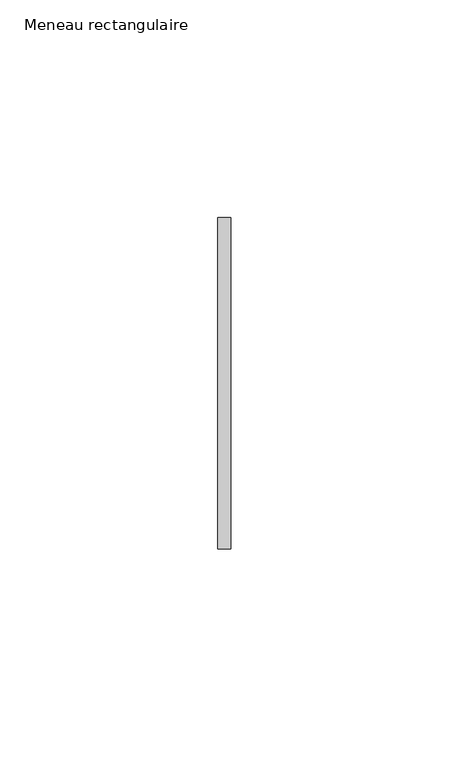
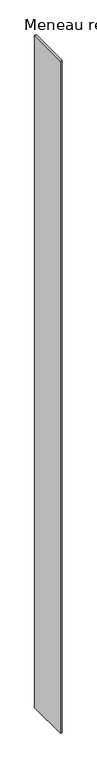
"""IFC4 building model written with IfcOpenShell, lengths in millimetres: member geometry, Meneau rectangulaire."""

from ifc_helpers import new_model, si_unit, frame, origin, place, context, project, spatial, polyline, outline, extrude, source, transform, mapped, element, save


def meneau_rectangulaire_703a53ed(model_context):
    return source(origin(), model_context, "Body", "SweptSolid", [
        extrude(outline(polyline([(-1.5, 38.0), (1.5, 38.0), (1.5, -38.0), (-1.5, -38.0), (-1.5, 38.0)])), frame((0.0, 0.0, -1211.2499998), z_axis=(0.0, 0.0, 1.0), x_axis=(1.0, 0.0, 0.0)), (0.0, 0.0, 1.0), 1211.2499998),
    ])


if __name__ == "__main__":
    model = new_model("IFC4")
    model_context = context("Model", 3, world=origin())
    ifc_project = project(units=[si_unit("LENGTHUNIT", "METRE", prefix="MILLI")], contexts=[model_context])
    site = spatial("IfcSite", under=ifc_project)
    building = spatial("IfcBuilding", under=site)
    placement = place(None, origin())
    meneau_rectangulaire_shape = meneau_rectangulaire_703a53ed(model_context)
    element("IfcMember", 1, ObjectType="Meneau rectangulaire", at=placement, inside=building, context=model_context, shape_type="MappedRepresentation", body=[
        mapped(meneau_rectangulaire_shape, transform((0.0, 0.0, 0.0), x_axis=(1.0, 0.0, 0.0), y_axis=(0.0, 1.0, 0.0), z_axis=(0.0, 0.0, 1.0))),
    ])
    save(model, "model.ifc")
